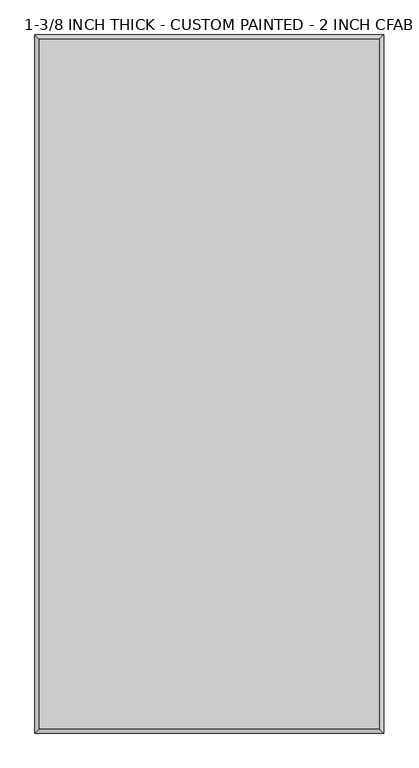
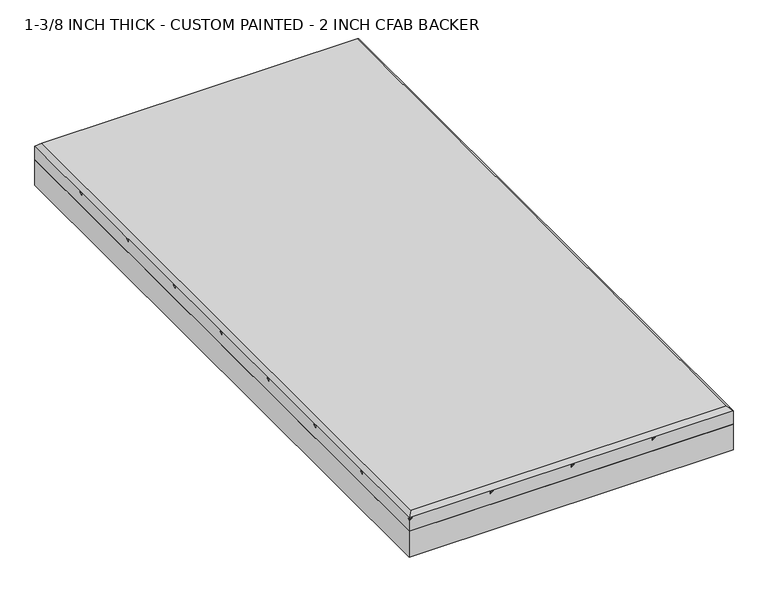
"""IFC4 building model written with IfcOpenShell, lengths in millimetres: proxy geometry, 1-3/8 INCH THICK - CUSTOM PAINTED - 2 INCH CFAB BACKER."""

from ifc_helpers import new_model, si_unit, frame, origin, place, context, project, spatial, polyline, outline, extrude, faceted_brep, source, transform, mapped, element, save


def proxy_1_3_8_inch_thick_custom_painted_2_inch_cfab_backer_3a74583b(model_context):
    return source(origin(), model_context, "Body", "SolidModel", [
        extrude(outline(polyline([(-304.8, 609.6), (304.8, 609.6), (304.8, -609.6), (-304.8, -609.6), (-304.8, 609.6)])), frame((0.0, 0.0, -50.8), z_axis=(0.0, 0.0, 1.0), x_axis=(1.0, 0.0, 0.0)), (0.0, 0.0, 1.0), 50.8),
        faceted_brep([(296.799, 601.599, 34.925), (-296.799, 601.599, 34.925), (-296.799, -601.599, 34.925), (296.799, -601.599, 34.925), (-304.8, 609.6, 0.0), (304.8, 609.6, 0.0), (304.8, -609.6, 0.0), (-304.8, -609.6, 0.0), (-304.8, -609.6, 21.3995), (-304.8, -603.9424386, 25.4), (-304.8, -609.6, 25.4), (-304.8, -609.6, 26.924), (-304.8, 609.6, 26.924), (-304.8, 457.1995174, 25.4), (-304.8, 457.1995174, 21.3995), (-304.8, 462.8580948, 25.4), (-304.8, 304.8000254, 25.4), (-304.8, 304.8000254, 21.3995), (-304.8, 310.4575868, 25.4), (-304.8, 152.4000254, 25.4), (-304.8, 152.4000254, 21.3995), (-304.8, 158.0575836, 25.4), (-304.8, 5.08e-05, 25.4), (-304.8, 5.08e-05, 21.3995), (-304.8, 5.6575614, 25.4), (-304.8, -152.3999746, 25.4), (-304.8, -152.3999746, 21.3995), (-304.8, -146.7424132, 25.4), (-304.8, -304.7999746, 25.4), (-304.8, -304.7999746, 21.3995), (-304.8, -299.1424132, 25.4), (-304.8, -457.1999746, 25.4), (-304.8, -457.1999746, 21.3995), (-304.8, -451.5424132, 25.4), (304.8, -609.6, 26.924), (-299.1424386, -609.6, 25.4), (-152.4010414, -609.6, 21.3995), (-152.4010414, -609.6, 25.4), (-146.742464, -609.6, 25.4), (0.0, -609.6, 21.3995), (0.0, -609.6, 25.4), (5.6575611, -609.6, 25.4), (152.4004826, -609.6, 21.3995), (152.4004826, -609.6, 25.4), (158.0580345, -609.6, 25.4), (304.8, 609.6, 21.3995), (304.8, 603.9424386, 25.4), (304.8, 609.6, 25.4), (304.8, 609.6, 26.924), (304.8, 457.2000254, 25.4), (304.8, 457.2000254, 21.3995), (304.8, 451.542464, 25.4), (304.8, 304.8000254, 25.4), (304.8, 304.8000254, 21.3995), (304.8, 299.142464, 25.4), (304.8, 152.4000254, 25.4), (304.8, 152.4000254, 21.3995), (304.8, 146.742464, 25.4), (304.8, 0.0, 25.4), (304.8, 0.0, 21.3995), (304.8, -5.6575614, 25.4), (304.8, -152.3999746, 25.4), (304.8, -152.3999746, 21.3995), (304.8, -158.057536, 25.4), (304.8, -304.7999746, 25.4), (304.8, -304.7999746, 21.3995), (304.8, -310.4575362, 25.4), (304.8, -457.1999746, 25.4), (304.8, -457.1999746, 21.3995), (304.8, -462.8575454, 25.4), (299.1424386, 609.6, 25.4), (-152.4005334, 609.6, 21.3995), (-152.4005334, 609.6, 25.4), (-158.0580948, 609.6, 25.4), (-2.54e-05, 609.6, 21.3995), (-2.54e-05, 609.6, 25.4), (-5.6575868, 609.6, 25.4), (152.4004826, 609.6, 21.3995), (152.4004826, 609.6, 25.4), (146.7429181, 609.6, 25.4), (-149.5717527, 606.7712193, 25.4), (-301.9717273, 454.3712447, 25.4), (2.8287553, 606.7712193, 25.4), (-301.9712193, 301.9712447, 25.4), (155.2292617, 606.7712178, 25.4), (-301.9712209, 149.5712432, 25.4), (-301.9711939, -2.8287553, 25.4), (301.9712193, 460.0288061, 25.4), (-301.9712193, -155.2287553, 25.4), (301.9712193, 307.6288061, 25.4), (-301.9712193, -307.6287553, 25.4), (301.9712193, 155.2288061, 25.4), (-301.9712193, -460.0287553, 25.4), (301.9712193, 2.8287807, 25.4), (301.9712193, -149.5711939, 25.4), (-155.2293141, -606.7717273, 25.4), (301.9712192, -301.971194, 25.4), (-2.8287808, -606.7712194, 25.4), (301.9712146, -454.3711986, 25.4), (149.5716972, -606.771224, 25.4)], [[[0, 1, 2, 3]], [[4, 5, 6, 7]], [[4, 7, 8, 9, 10, 11, 12], [13, 14, 15], [16, 17, 18], [19, 20, 21], [22, 23, 24], [25, 26, 27], [28, 29, 30], [31, 32, 33]], [[7, 6, 34, 11, 10, 35, 8], [36, 37, 38], [39, 40, 41], [42, 43, 44]], [[6, 5, 45, 46, 47, 48, 34], [49, 50, 51], [52, 53, 54], [55, 56, 57], [58, 59, 60], [61, 62, 63], [64, 65, 66], [67, 68, 69]], [[5, 4, 12, 48, 47, 70, 45], [71, 72, 73], [74, 75, 76], [77, 78, 79]], [[12, 1, 0, 48]], [[1, 12, 11, 2]], [[2, 11, 34, 3]], [[48, 0, 3, 34]], [[14, 71, 73, 15]], [[80, 71, 14, 81]], [[17, 74, 76, 18]], [[82, 74, 17, 83]], [[20, 77, 79, 21]], [[84, 77, 20, 85]], [[23, 45, 70, 24]], [[23, 86, 46, 45]], [[50, 87, 27, 26]], [[26, 88, 51, 50]], [[53, 89, 30, 29]], [[29, 90, 54, 53]], [[56, 91, 33, 32]], [[32, 92, 57, 56]], [[59, 93, 9, 8]], [[59, 8, 35, 60]], [[62, 94, 95, 36]], [[62, 36, 38, 63]], [[65, 96, 97, 39]], [[65, 39, 41, 66]], [[68, 98, 99, 42]], [[68, 42, 44, 69]], [[71, 80, 72]], [[81, 14, 13]], [[80, 81, 13, 15, 73, 72]], [[74, 82, 75]], [[83, 17, 16]], [[82, 83, 16, 18, 76, 75]], [[77, 84, 78]], [[85, 20, 19]], [[84, 85, 19, 21, 79, 78]], [[86, 23, 22]], [[86, 22, 24, 70, 47, 46]], [[87, 50, 49]], [[88, 26, 25]], [[87, 49, 51, 88, 25, 27]], [[89, 53, 52]], [[90, 29, 28]], [[89, 52, 54, 90, 28, 30]], [[91, 56, 55]], [[92, 32, 31]], [[91, 55, 57, 92, 31, 33]], [[93, 59, 58]], [[93, 58, 60, 35, 10, 9]], [[94, 62, 61]], [[36, 95, 37]], [[95, 94, 61, 63, 38, 37]], [[96, 65, 64]], [[39, 97, 40]], [[97, 96, 64, 66, 41, 40]], [[98, 68, 67]], [[42, 99, 43]], [[99, 98, 67, 69, 44, 43]]]),
    ])


if __name__ == "__main__":
    model = new_model("IFC4")
    model_context = context("Model", 3, world=origin())
    ifc_project = project(units=[si_unit("LENGTHUNIT", "METRE", prefix="MILLI")], contexts=[model_context])
    site = spatial("IfcSite", under=ifc_project)
    building = spatial("IfcBuilding", under=site)
    placement = place(None, origin())
    proxy_1_3_8_inch_thick_custom_painted_2_inch_cfab_backer_shape = proxy_1_3_8_inch_thick_custom_painted_2_inch_cfab_backer_3a74583b(model_context)
    element("IfcBuildingElementProxy", 1, Name="1-3/8 INCH THICK - CUSTOM PAINTED - 2 INCH CFAB BACKER", ObjectType="1-3/8 INCH THICK - CUSTOM PAINTED - 2 INCH CFAB BACKER", at=placement, inside=building, context=model_context, shape_type="MappedRepresentation", body=[
        mapped(proxy_1_3_8_inch_thick_custom_painted_2_inch_cfab_backer_shape, transform((0.0, 0.0, 0.0), x_axis=(1.0, 0.0, 0.0), y_axis=(0.0, 1.0, 0.0), z_axis=(0.0, 0.0, 1.0))),
    ])
    save(model, "model.ifc")
